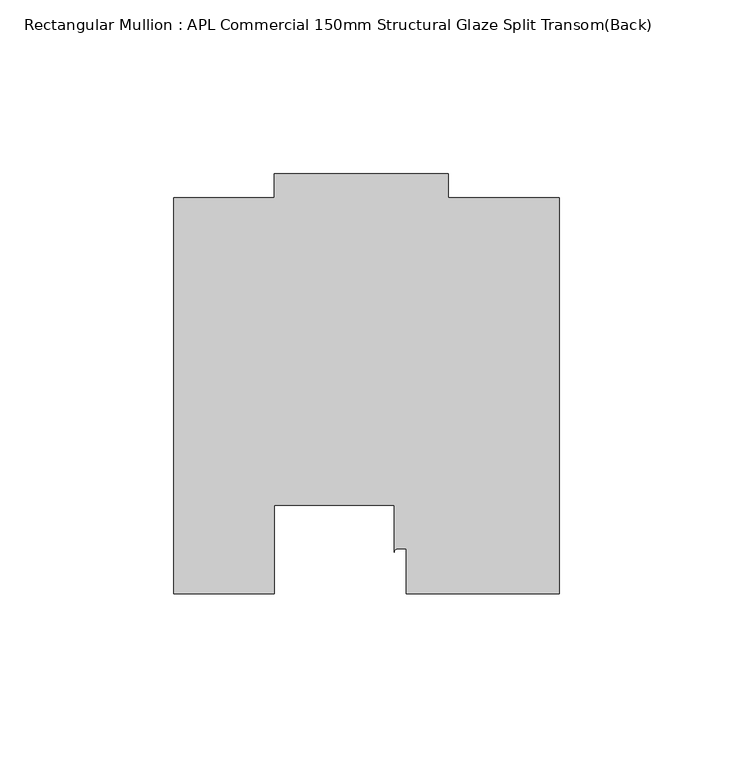
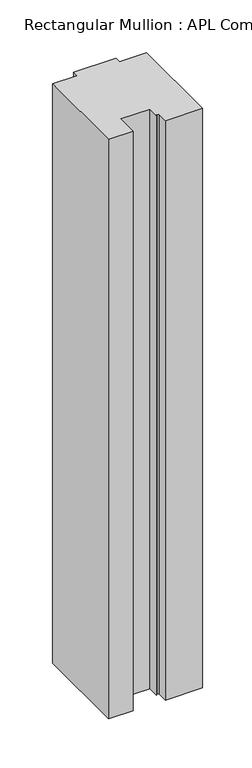
"""IFC4 building model written with IfcOpenShell, lengths in millimetres: member geometry, Rectangular Mullion : APL Commercial 150mm Structural Glaze Split Transom(Back)."""

from ifc_helpers import new_model, si_unit, point, frame, frame_2d, origin, place, context, project, spatial, polyline, circle_curve, trimmed, segment, composite_curve, outline, extrude, source, transform, mapped, element, save


def rectangular_mullion_apl_commercial_150mm_structural_glaze_4426c341(model_context):
    return source(origin(), model_context, "Body", "SweptSolid", [
        extrude(outline(composite_curve([segment(polyline([(54.0000029, 15.0004617), (10.0000029, 15.0004617), (10.0000029, 28.0002131), (7.5000029, 28.0002131)]), True, "CONTINUOUS"), segment(trimmed(circle_curve(frame_2d((7.5000029, 27.0002131)), 1.0), [point((7.5000029, 28.0002131))], [point((6.5000029, 27.0002131))], True, "CARTESIAN"), True, "CONTINUOUS"), segment(polyline([(6.5000029, 27.0002131), (6.5000029, 40.499932), (-28.0000482, 40.499932), (-28.0000482, 15.0001793), (-57.0000004, 15.0001793), (-57.0000004, 129.0002765), (-27.9971154, 129.0002765), (-27.9971154, 136.0003326), (22.0028846, 136.0003326), (22.0028846, 129.0003326), (54.0000029, 129.0003326), (54.0000029, 15.0004617)]), True, "CONTINUOUS")], self_intersect=False)), frame((0.0, 0.0, -720.0500409), z_axis=(0.0, 0.0, 1.0), x_axis=(1.0, 0.0, 0.0)), (0.0, 0.0, 1.0), 720.0500409),
    ])


if __name__ == "__main__":
    model = new_model("IFC4")
    model_context = context("Model", 3, world=origin())
    ifc_project = project(units=[si_unit("LENGTHUNIT", "METRE", prefix="MILLI")], contexts=[model_context])
    site = spatial("IfcSite", under=ifc_project)
    building = spatial("IfcBuilding", under=site)
    placement = place(None, origin())
    rectangular_mullion_apl_commercial_150mm_structural_glaze_shape = rectangular_mullion_apl_commercial_150mm_structural_glaze_4426c341(model_context)
    element("IfcMember", 1, ObjectType="Rectangular Mullion : APL Commercial 150mm Structural Glaze Split Transom(Back)", at=placement, inside=building, context=model_context, shape_type="MappedRepresentation", body=[
        mapped(rectangular_mullion_apl_commercial_150mm_structural_glaze_shape, transform((0.0, 0.0, 0.0), x_axis=(1.0, 0.0, 0.0), y_axis=(0.0, 1.0, 0.0), z_axis=(0.0, 0.0, 1.0))),
    ])
    save(model, "model.ifc")
